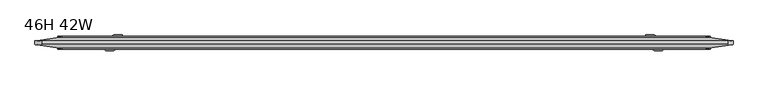
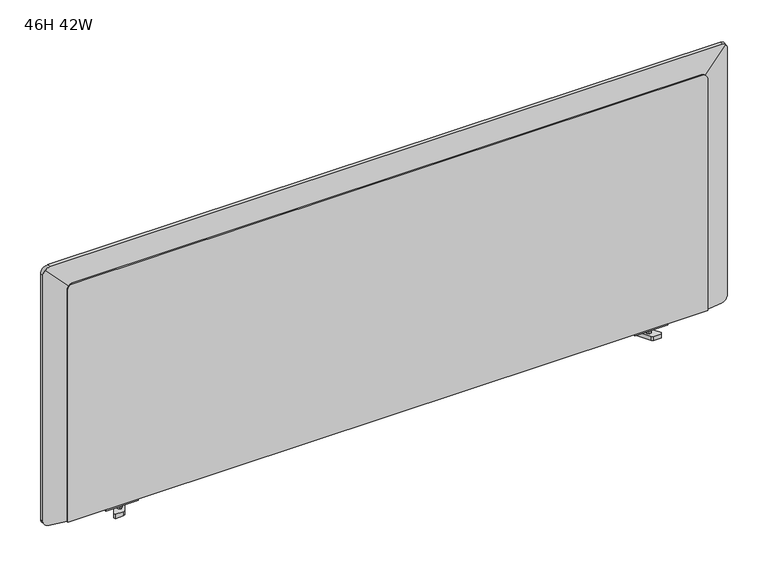
"""IFC4 building model written with IfcOpenShell, lengths in millimetres: furniture geometry, 46H 42W."""

from ifc_helpers import new_model, si_unit, frame, origin, place, context, project, spatial, polyline, ellipse_curve, outline, extrude, faceted_brep, source, transform, mapped, element, save
from ifc_brep_helpers import plane_surface, cylinder_surface, advanced_brep


def furniture_46h_42w_5ace059e(model_context):
    return source(origin(), model_context, "Body", "SolidModel", [
        extrude(outline(polyline([(721.2018793, 968.1409019), (725.9008658, 968.1409019), (725.9008658, 955.4409049), (732.1172741, 955.4409049), (732.1172741, 930.0409019), (725.9008658, 930.0409019), (725.9008658, 917.3409049), (721.2018793, 917.3409049), (721.2018793, 968.1409019)])), frame((0.0, -16.6504619, 0.0), z_axis=(0.0, 1.0, 0.0), x_axis=(0.0, 0.0, 1.0)), (0.0, 0.0, 1.0), 13.9700003),
        extrude(outline(polyline([(946.5752851, -10.5329201), (944.7261429, -12.9427704), (941.7145807, -13.3392502), (939.304726, -11.490107), (938.9082476, -8.478544), (940.7573898, -6.0686936), (943.768952, -5.6722139), (946.1788067, -7.5213571), (946.5752851, -10.5329201)])), frame((0.0, 0.0, 711.4157034), z_axis=(0.0, 0.0, 1.0), x_axis=(1.0, 0.0, 0.0)), (0.0, 0.0, 1.0), 9.7861759),
        extrude(outline(polyline([(945.5193963, 0.8486721), (957.0356992, -19.0981369), (955.715876, -21.3841369), (943.3975236, -21.3841369), (940.7578773, -19.8601361), (929.2415835, 0.0866728), (930.5614067, 2.3726729), (942.87975, 2.3726729), (945.5193963, 0.8486721)])), frame((0.0, 0.0, 707.642038), z_axis=(0.0, 0.0, 1.0), x_axis=(1.0, 0.0, 0.0)), (0.0, 0.0, 1.0), 6.7296167),
        extrude(outline(polyline([(721.2018793, 98.6590981), (721.2018793, 149.4590951), (725.9008658, 149.4590951), (725.9008658, 136.7590981), (732.1172741, 136.7590981), (732.1172741, 111.3590951), (725.9008658, 111.3590951), (725.9008658, 98.6590981), (721.2018793, 98.6590981)])), frame((0.0, -16.6504619, 0.0), z_axis=(0.0, 1.0, 0.0), x_axis=(0.0, 0.0, 1.0)), (0.0, 0.0, 1.0), 13.9700003),
        extrude(outline(polyline([(120.2247149, -10.5329201), (120.6211933, -7.5213571), (123.031048, -5.6722139), (126.0426102, -6.0686936), (127.8917524, -8.478544), (127.495274, -11.490107), (125.0854193, -13.3392502), (122.0738571, -12.9427704), (120.2247149, -10.5329201)])), frame((0.0, 0.0, 711.4157034), z_axis=(0.0, 0.0, 1.0), x_axis=(1.0, 0.0, 0.0)), (0.0, 0.0, 1.0), 9.7861759),
        extrude(outline(polyline([(121.2806037, 0.8486721), (123.92025, 2.3726729), (136.2385933, 2.3726729), (137.5584165, 0.0866728), (126.0421227, -19.8601361), (123.4024764, -21.3841369), (111.084124, -21.3841369), (109.7643008, -19.0981369), (121.2806037, 0.8486721)])), frame((0.0, 0.0, 707.642038), z_axis=(0.0, 0.0, 1.0), x_axis=(1.0, 0.0, 0.0)), (0.0, 0.0, 1.0), 6.7296167),
        faceted_brep([(1021.0303928, -19.05, 1113.3524658), (45.7696072, -19.05, 1113.3524658), (42.9511608, -19.05, 1112.0688569), (41.3638153, -19.05, 1110.7876851), (39.8789498, -19.05, 1108.8755925), (38.5668115, -19.05, 1105.8688006), (38.5668115, -19.05, 725.9008658), (1028.3784903, -19.05, 725.9008658), (1028.3784903, -19.05, 1105.5358386), (1026.9210502, -19.05, 1108.8755925), (1025.4361847, -19.05, 1110.7876851), (1023.8488392, -19.05, 1112.0688569), (1021.0303928, 0.0, 1113.3524658), (1023.8488392, 0.0, 1112.0688569), (1025.4361847, 0.0, 1110.7876851), (1026.9210502, 0.0, 1108.8755925), (1028.3784903, 0.0, 1105.5358386), (1028.3784903, 0.0, 725.9008658), (38.5668115, 0.0, 725.9008658), (38.5668115, 0.0, 1105.8688006), (39.8789498, 0.0, 1108.8755925), (41.3638153, 0.0, 1110.7876851), (42.9511608, 0.0, 1112.0688569), (45.7696072, 0.0, 1113.3524658), (546.5326549, -0.8676631, 725.9008658), (520.2673451, -0.8676631, 725.9008658), (520.2673451, -18.1883634, 725.9008658), (546.5326549, -18.1883634, 725.9008658), (546.5326549, -0.8676631, 727.7829223), (546.5326549, -18.1883634, 727.7829223), (520.2673451, -18.1883634, 727.7829223), (520.2673451, -0.8676631, 727.7829223)], [[[0, 1, 2, 3, 4, 5, 6, 7, 8, 9, 10, 11]], [[12, 13, 14, 15, 16, 17, 18, 19, 20, 21, 22, 23]], [[1, 0, 12, 23]], [[8, 7, 17, 16]], [[6, 5, 19, 18]], [[7, 6, 18, 17], [24, 25, 26, 27]], [[9, 8, 16, 15]], [[10, 9, 15, 14]], [[11, 10, 14, 13]], [[0, 11, 13, 12]], [[28, 29, 30, 31]], [[28, 31, 25, 24]], [[31, 30, 26, 25]], [[30, 29, 27, 26]], [[29, 28, 24, 27]], [[2, 1, 23, 22]], [[3, 2, 22, 21]], [[4, 3, 21, 20]], [[5, 4, 20, 19]]]),
        advanced_brep(
        [(1024.7319147, -1.27, 725.9008658), (1024.7319147, -1.27, 1109.7146704), (1060.4627232, -6.2916377, 1145.4454789), (1062.7613101, -6.614683, 1139.8961994), (1062.7613101, -6.614683, 735.3489026), (1062.4156469, -6.5661032, 732.9703649), (1061.40075, -6.4234687, 730.6446347), (1059.9158842, -6.2147844, 728.7325421), (1058.3285387, -5.9916976, 727.4513703), (1055.9394023, -5.6559264, 726.3633553), (1053.4846479, -5.3109331, 725.9008658), (1024.7319147, -17.78, 1109.7146704), (1024.7319147, -17.78, 725.9008658), (1053.4846479, -13.5347865, 725.9008658), (1055.9394023, -13.1723529, 726.3633553), (1058.3285387, -12.8196075, 727.4513703), (1059.9158842, -12.585243, 728.7325421), (1061.40075, -12.3660092, 730.6446347), (1062.4156469, -12.2161641, 732.9703649), (1062.7613101, -12.1651285, 735.3489026), (1062.7613101, -12.1651285, 1139.8961994), (1060.4627232, -12.5045047, 1145.4454789), (42.0680819, -1.27, 1109.7146704), (42.0680819, -1.27, 725.9008658), (13.3153521, -5.3109327, 725.9008658), (10.8605977, -5.6559259, 726.3633553), (8.4714613, -5.9916971, 727.4513703), (6.8841158, -6.214784, 728.7325421), (5.39925, -6.4234682, 730.6446347), (4.3843531, -6.5661027, 732.9703649), (4.0386865, -6.614683, 735.3489261), (4.0386865, -6.614683, 1136.4742879), (7.339528, -6.15078, 1144.4432242), (42.0680819, -17.78, 725.9008658), (42.0680819, -17.78, 1109.7146704), (7.339528, -12.6524831, 1144.4432242), (4.0386865, -12.1651285, 1136.4742879), (4.0386865, -12.1651285, 735.3489261), (4.3843531, -12.2161646, 732.9703649), (5.39925, -12.3660097, 730.6446347), (6.8841158, -12.5852435, 728.7325421), (8.4714613, -12.819608, 727.4513703), (10.8605977, -13.1723534, 726.3633553), (13.3153521, -13.534787, 725.9008658), (15.3084644, -6.614683, 1147.7440658), (1054.9134437, -6.614683, 1147.7440658), (1054.9134437, -12.1651285, 1147.7440658), (15.3084644, -12.1651285, 1147.7440658)],
        [
            (0, 1),
            (1, 2),
            (2, 3, ellipse_curve(frame((1054.9134437, -5.5117373, 1139.8961994), z_axis=(0.1391731009600647, 0.9902680687415705, 0.0), x_axis=(-0.9902680687415707, 0.13917310096006372, 0.0)), 7.9249919, 7.8478664)),
            (3, 4),
            (4, 5),
            (5, 6),
            (6, 7),
            (7, 8),
            (8, 9),
            (9, 10),
            (10, 0),
            (11, 12),
            (12, 13),
            (13, 14),
            (14, 15),
            (15, 16),
            (16, 17),
            (17, 18),
            (18, 19),
            (19, 20),
            (20, 21, ellipse_curve(frame((1054.9134437, -13.3238312, 1139.8961994), z_axis=(0.1460621261961634, -0.9892754193302571, 0.0), x_axis=(0.989275419330257, 0.14606212619616374, 0.0)), 7.9329439, 7.8478664)),
            (21, 11),
            (22, 23),
            (23, 24),
            (24, 25),
            (25, 26),
            (26, 27),
            (27, 28),
            (28, 29),
            (29, 30),
            (30, 31),
            (31, 32, ellipse_curve(frame((15.3084644, -5.030819, 1136.4742879), z_axis=(-0.1391731009600647, 0.9902680687415705, 0.0), x_axis=(0.9902680687415707, 0.13917310096006372, 0.0)), 11.3805324, 11.2697779)),
            (32, 22),
            (33, 34),
            (34, 35),
            (35, 36, ellipse_curve(frame((15.3084644, -13.8290612, 1136.4742879), z_axis=(-0.1460621261961634, -0.9892754193302571, 0.0), x_axis=(-0.989275419330257, 0.14606212619616374, 0.0)), 11.3919518, 11.2697779)),
            (36, 37),
            (37, 38),
            (38, 39),
            (39, 40),
            (40, 41),
            (41, 42),
            (42, 43),
            (43, 33),
            (1, 22),
            (32, 44, ellipse_curve(frame((15.3084644, -5.030819, 1136.4742879), z_axis=(0.0, 0.9902680687415636, 0.13917310096011357), x_axis=(0.0, 0.13917310096011315, -0.9902680687415636)), 11.3805324, 11.2697779)),
            (44, 45),
            (45, 2, ellipse_curve(frame((1054.9134437, -5.5117373, 1139.8961994), z_axis=(0.0, 0.9902680687415636, 0.13917310096011357), x_axis=(0.0, 0.13917310096011315, -0.9902680687415636)), 7.9249919, 7.8478664)),
            (34, 11),
            (21, 46, ellipse_curve(frame((1054.9134437, -13.3238312, 1139.8961994), z_axis=(0.0, -0.9892754193302643, 0.14606212619611458), x_axis=(0.0, 0.1460621261961151, 0.9892754193302642)), 7.9329439, 7.8478664)),
            (46, 47),
            (47, 35, ellipse_curve(frame((15.3084644, -13.8290612, 1136.4742879), z_axis=(0.0, -0.9892754193302643, 0.14606212619611458), x_axis=(0.0, 0.1460621261961151, 0.9892754193302642)), 11.3919518, 11.2697779)),
            (0, 12),
            (11, 1),
            (33, 23),
            (22, 34),
            (19, 4),
            (3, 20),
            (30, 37),
            (36, 31),
            (46, 45),
            (44, 47),
            (43, 24),
            (10, 13),
            (42, 25),
            (41, 26),
            (40, 27),
            (39, 28),
            (38, 29),
            (18, 5),
            (17, 6),
            (16, 7),
            (15, 8),
            (14, 9),
        ],
        [
            plane_surface(frame((1062.7613101, -6.614683, 1147.7440658), z_axis=(0.1391731009600647, 0.9902680687415705, 0.0), x_axis=(0.0, 0.0, -1.0))),
            plane_surface(frame((1024.7319147, -17.78, 1109.7146704), z_axis=(0.1460621261961634, -0.9892754193302571, 0.0), x_axis=(0.0, 0.0, -1.0))),
            plane_surface(frame((4.0386865, -6.614683, 725.9008658), z_axis=(-0.1391731009600647, 0.9902680687415705, 0.0), x_axis=(0.0, 0.0, 1.0))),
            plane_surface(frame((42.0680819, -17.78, 725.9008658), z_axis=(-0.1460621261961634, -0.9892754193302571, 0.0), x_axis=(0.0, 0.0, 1.0))),
            plane_surface(frame((4.0386865, -6.614683, 1147.7440658), z_axis=(0.0, 0.9902680687415636, 0.13917310096011357), x_axis=(1.0, 0.0, 0.0))),
            plane_surface(frame((42.0680819, -17.78, 1109.7146704), z_axis=(0.0, -0.9892754193302643, 0.14606212619611458), x_axis=(1.0, 0.0, 0.0))),
            plane_surface(frame((1024.7319147, -1.27, 1109.7146704), z_axis=(-1.0, 0.0, 0.0), x_axis=(0.0, 0.0, -1.0))),
            plane_surface(frame((42.0680819, -1.27, 725.9008658), z_axis=(1.0, 0.0, 0.0), x_axis=(0.0, 0.0, 1.0))),
            plane_surface(frame((42.0680819, -1.27, 1109.7146704), z_axis=(0.0, 0.0, -1.0), x_axis=(1.0, 0.0, 0.0))),
            plane_surface(frame((1062.7613101, -12.1651285, 1147.7440658), z_axis=(1.0, 0.0, 0.0), x_axis=(0.0, 0.0, -1.0))),
            plane_surface(frame((4.0386865, -12.1651285, 725.9008658), z_axis=(-1.0, 0.0, 0.0), x_axis=(0.0, 0.0, 1.0))),
            plane_surface(frame((4.0386865, -12.1651285, 1147.7440658), z_axis=(0.0, 0.0, 1.0), x_axis=(1.0, 0.0, 0.0))),
            plane_surface(frame((4.0386865, 0.0, 725.9008658), z_axis=(0.0, 0.0, -1.0), x_axis=(0.0, -1.0, 0.0))),
            plane_surface(frame((1062.7613101, 0.0, 725.9008658), z_axis=(0.0, 0.0, -1.0), x_axis=(0.0, -1.0, 0.0))),
            plane_surface(frame((13.3153521, -30.0355176, 725.9008658), z_axis=(-0.18514822307847145, 0.0, -0.9827106061760424), x_axis=(0.0, 1.0, 0.0))),
            plane_surface(frame((10.8605977, -30.0355176, 726.3633553), z_axis=(-0.41444808786660453, 0.0, -0.9100729544732747), x_axis=(0.0, 1.0, 0.0))),
            plane_surface(frame((8.4714613, -30.0355176, 727.4513703), z_axis=(-0.6280656236652712, 0.0, -0.7781603770238844), x_axis=(0.0, 1.0, 0.0))),
            plane_surface(frame((6.8841158, -30.0355176, 728.7325421), z_axis=(-0.7898158751875455, 0.0, -0.6133440170913316), x_axis=(0.0, 1.0, 0.0))),
            plane_surface(frame((5.39925, -30.0355176, 730.6446347), z_axis=(-0.9165346264601943, 0.0, -0.3999553456318242), x_axis=(0.0, 1.0, 0.0))),
            plane_surface(frame((4.3843531, -30.0355176, 732.9703649), z_axis=(-0.9896045655144949, 0.0, -0.14381517274914976), x_axis=(0.0, 1.0, 0.0))),
            plane_surface(frame((1062.7613101, -30.0355176, 735.3489026), z_axis=(0.9896045655139133, 0.0, -0.14381517275315223), x_axis=(0.0, 1.0, 0.0))),
            plane_surface(frame((1062.4156469, -30.0355176, 732.9703649), z_axis=(0.916534626460214, 0.0, -0.3999553456317794), x_axis=(0.0, 1.0, 0.0))),
            plane_surface(frame((1061.40075, -30.0355176, 730.6446347), z_axis=(0.7898158751874913, 0.0, -0.6133440170914014), x_axis=(0.0, 1.0, 0.0))),
            plane_surface(frame((1059.9158842, -30.0355176, 728.7325421), z_axis=(0.628065623665255, 0.0, -0.7781603770238975), x_axis=(0.0, 1.0, 0.0))),
            plane_surface(frame((1058.3285387, -30.0355176, 727.4513703), z_axis=(0.41444808786661425, 0.0, -0.9100729544732703), x_axis=(0.0, 1.0, 0.0))),
            plane_surface(frame((1055.9394023, -30.0355176, 726.3633553), z_axis=(0.18514822316973073, 0.0, -0.9827106061588486), x_axis=(0.0, 1.0, 0.0))),
            cylinder_surface(frame((1054.9134437, 0.0, 1139.8961994), z_axis=(0.0, 1.0, 0.0), x_axis=(1.0, 0.0, 0.0)), 7.8478664),
            cylinder_surface(frame((15.3084644, 0.0, 1136.4742879), z_axis=(0.0, 1.0, 0.0), x_axis=(1.0, 0.0, 0.0)), 11.2697779),
        ],
        [
            (0, [[1, 2, 3, 4, 5, 6, 7, 8, 9, 10, 11]]),
            (1, [[12, 13, 14, 15, 16, 17, 18, 19, 20, 21, 22]]),
            (2, [[23, 24, 25, 26, 27, 28, 29, 30, 31, 32, 33]]),
            (3, [[34, 35, 36, 37, 38, 39, 40, 41, 42, 43, 44]]),
            (4, [[45, -33, 46, 47, 48, -2]]),
            (5, [[49, -22, 50, 51, 52, -35]]),
            (6, [[-1, 53, -12, 54]]),
            (7, [[55, -23, 56, -34]]),
            (8, [[-45, -54, -49, -56]]),
            (9, [[57, -4, 58, -20]]),
            (10, [[59, -37, 60, -31]]),
            (11, [[61, -47, 62, -51]]),
            (12, [[-55, -44, 63, -24]]),
            (13, [[-53, -11, 64, -13]]),
            (14, [[65, -25, -63, -43]]),
            (15, [[-65, -42, 66, -26]]),
            (16, [[-66, -41, 67, -27]]),
            (17, [[-67, -40, 68, -28]]),
            (18, [[-68, -39, 69, -29]]),
            (19, [[-69, -38, -59, -30]]),
            (20, [[70, -5, -57, -19]]),
            (21, [[-70, -18, 71, -6]]),
            (22, [[-71, -17, 72, -7]]),
            (23, [[-72, -16, 73, -8]]),
            (24, [[-73, -15, 74, -9]]),
            (25, [[-74, -14, -64, -10]]),
            (26, [[-3, -48, -61, -50, -21, -58]]),
            (27, [[-32, -60, -36, -52, -62, -46]]),
        ],
    ),
    ])


if __name__ == "__main__":
    model = new_model("IFC4")
    model_context = context("Model", 3, world=origin())
    ifc_project = project(units=[si_unit("LENGTHUNIT", "METRE", prefix="MILLI")], contexts=[model_context])
    site = spatial("IfcSite", under=ifc_project)
    building = spatial("IfcBuilding", under=site)
    placement = place(None, origin())
    furniture_46h_42w_shape = furniture_46h_42w_5ace059e(model_context)
    element("IfcFurniture", 1, ObjectType="46H 42W", at=placement, inside=building, context=model_context, shape_type="MappedRepresentation", body=[
        mapped(furniture_46h_42w_shape, transform((0.0, 0.0, 0.0), x_axis=(1.0, 0.0, 0.0), y_axis=(0.0, 1.0, 0.0), z_axis=(0.0, 0.0, 1.0))),
    ])
    save(model, "model.ifc")
